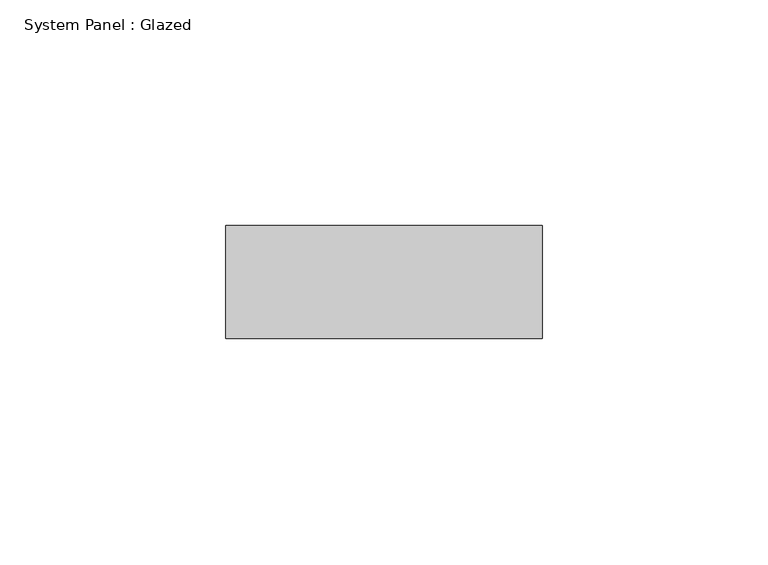
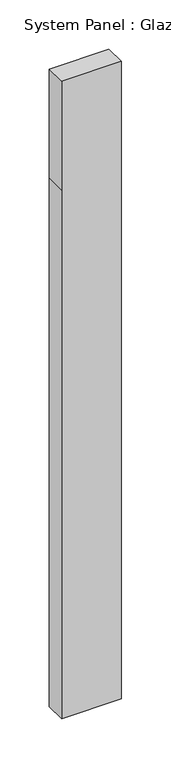
"""IFC4 building model written with IfcOpenShell, lengths in millimetres: plate geometry, System Panel : Glazed."""

from ifc_helpers import new_model, si_unit, frame, origin, place, context, project, spatial, polyline, outline, extrude, source, transform, mapped, element, save


def system_panel_glazed_dc52d360(model_context):
    return source(origin(), model_context, "Body", "SweptSolid", [
        extrude(outline(polyline([(0.0, -35.0), (0.0, 35.0), (655.0, 35.0), (790.0, 35.0), (790.0, -35.0), (655.0, -35.0), (0.0, -35.0)])), frame((0.0, -49.5, 0.0), z_axis=(0.0, 1.0, 0.0), x_axis=(0.0, 0.0, 1.0)), (0.0, 0.0, 1.0), 25.0),
    ])


if __name__ == "__main__":
    model = new_model("IFC4")
    model_context = context("Model", 3, world=origin())
    ifc_project = project(units=[si_unit("LENGTHUNIT", "METRE", prefix="MILLI")], contexts=[model_context])
    site = spatial("IfcSite", under=ifc_project)
    building = spatial("IfcBuilding", under=site)
    placement = place(None, origin())
    system_panel_glazed_shape = system_panel_glazed_dc52d360(model_context)
    element("IfcPlate", 1, ObjectType="System Panel : Glazed", at=placement, inside=building, context=model_context, shape_type="MappedRepresentation", body=[
        mapped(system_panel_glazed_shape, transform((0.0, 0.0, 0.0), x_axis=(1.0, 0.0, 0.0), y_axis=(0.0, 1.0, 0.0), z_axis=(0.0, 0.0, 1.0))),
    ])
    save(model, "model.ifc")
